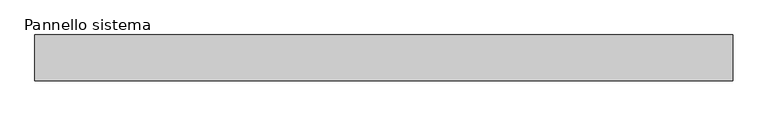
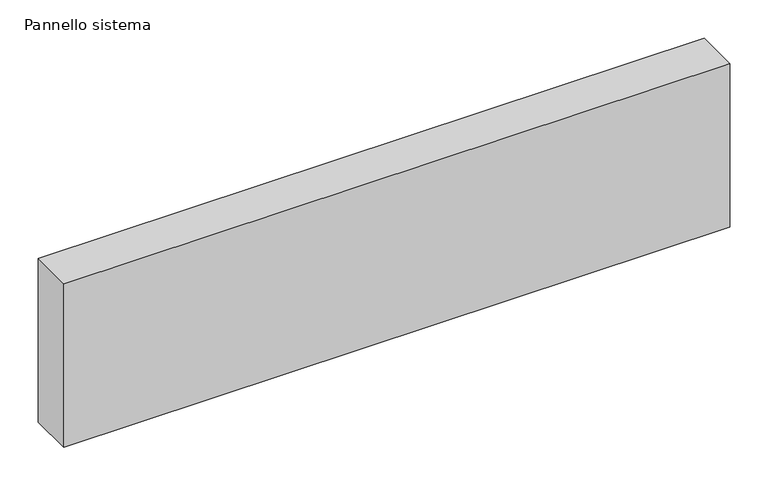
"""IFC4 building model written with IfcOpenShell, lengths in millimetres: plate geometry, Pannello sistema."""

from ifc_helpers import new_model, si_unit, origin, origin_with_axes, place, context, project, spatial, polyline, outline, extrude, source, transform, mapped, element, save


def pannello_sistema_eb156fdb(model_context):
    return source(origin(), model_context, "Body", "SweptSolid", [
        extrude(outline(polyline([(500.0, -33.0), (-500.0, -33.0), (-500.0, 33.0), (500.0, 33.0), (500.0, -33.0)])), origin_with_axes(), (0.0, 0.0, 1.0), 260.0),
    ])


if __name__ == "__main__":
    model = new_model("IFC4")
    model_context = context("Model", 3, world=origin())
    ifc_project = project(units=[si_unit("LENGTHUNIT", "METRE", prefix="MILLI")], contexts=[model_context])
    site = spatial("IfcSite", under=ifc_project)
    building = spatial("IfcBuilding", under=site)
    placement = place(None, origin())
    pannello_sistema_shape = pannello_sistema_eb156fdb(model_context)
    element("IfcPlate", 1, ObjectType="Pannello sistema", at=placement, inside=building, context=model_context, shape_type="MappedRepresentation", body=[
        mapped(pannello_sistema_shape, transform((0.0, 0.0, 0.0), x_axis=(1.0, 0.0, 0.0), y_axis=(0.0, 1.0, 0.0), z_axis=(0.0, 0.0, 1.0))),
    ])
    save(model, "model.ifc")
